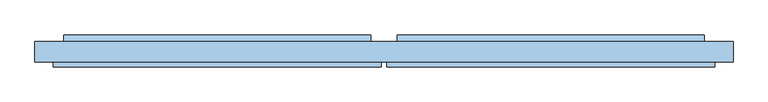
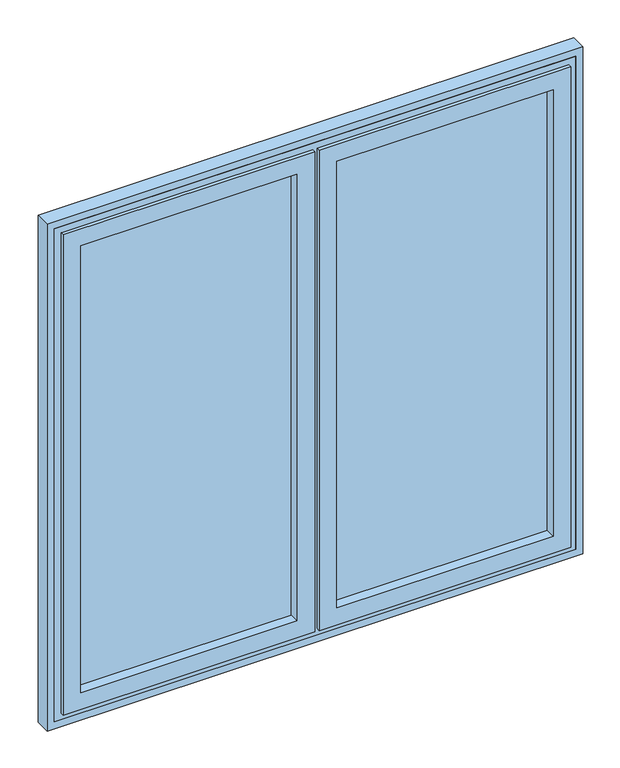
"""IFC4 building model written with IfcOpenShell, lengths in millimetres: window geometry."""

from ifc_helpers import new_model, si_unit, frame, origin, place, context, project, spatial, polyline, outline, extrude, faceted_brep, source, transform, mapped, element, save


def window_af230f69(model_context):
    return source(origin(), model_context, "Body", "SolidModel", [
        faceted_brep([(-711.0, 46.0, 939.0), (-711.0, 56.0, 939.0), (-6.0, 56.0, 939.0), (-6.0, 46.0, 939.0), (-680.0, 90.0, 970.0), (-680.0, 100.0, 970.0), (-37.0, 100.0, 970.0), (-37.0, 90.0, 970.0), (-661.0, 100.0, 989.0), (-661.0, 46.0, 989.0), (-56.0, 46.0, 989.0), (-56.0, 100.0, 989.0), (-6.0, 56.0, 2361.0), (-6.0, 46.0, 2361.0), (-37.0, 100.0, 2330.0), (-37.0, 90.0, 2330.0), (-56.0, 46.0, 2311.0), (-56.0, 100.0, 2311.0), (-711.0, 56.0, 2361.0), (-711.0, 46.0, 2361.0), (-680.0, 100.0, 2330.0), (-680.0, 90.0, 2330.0), (-661.0, 46.0, 2311.0), (-661.0, 100.0, 2311.0), (-686.0, 90.0, 964.0), (-686.0, 90.0, 2336.0), (-31.0, 90.0, 2336.0), (-31.0, 90.0, 964.0), (-686.0, 56.0, 964.0), (-31.0, 56.0, 964.0), (-31.0, 56.0, 2336.0), (-686.0, 56.0, 2336.0)], [[[0, 1, 2, 3]], [[4, 5, 6, 7]], [[8, 9, 10, 11]], [[3, 2, 12, 13]], [[7, 6, 14, 15]], [[11, 10, 16, 17]], [[13, 12, 18, 19]], [[15, 14, 20, 21]], [[17, 16, 22, 23]], [[19, 18, 1, 0]], [[5, 20, 14, 6], [11, 17, 23, 8]], [[21, 20, 5, 4]], [[24, 25, 26, 27], [7, 15, 21, 4]], [[23, 22, 9, 8]], [[3, 13, 19, 0], [9, 22, 16, 10]], [[28, 24, 27, 29]], [[29, 27, 26, 30]], [[30, 26, 25, 31]], [[1, 18, 12, 2], [29, 30, 31, 28]], [[31, 25, 24, 28]]]),
        extrude(outline(polyline([(-56.0, 74.0), (-661.0, 74.0), (-661.0, 90.0), (-56.0, 90.0), (-56.0, 74.0)])), frame((0.0, 0.0, 989.0), z_axis=(0.0, 0.0, 1.0), x_axis=(1.0, 0.0, 0.0)), (0.0, 0.0, 1.0), 1322.0),
        extrude(outline(polyline([(115.0, 970.0), (100.0, 970.0), (100.0, 982.5), (115.0, 975.0), (115.0, 970.0)])), frame((-688.0, 0.0, 0.0), z_axis=(1.0, 0.0, 0.0), x_axis=(0.0, 1.0, 0.0)), (0.0, 0.0, 1.0), 659.0),
        faceted_brep([(6.0, 46.0, 939.0), (6.0, 56.0, 939.0), (711.0, 56.0, 939.0), (711.0, 46.0, 939.0), (37.0, 90.0, 970.0), (37.0, 100.0, 970.0), (680.0, 100.0, 970.0), (680.0, 90.0, 970.0), (56.0, 100.0, 989.0), (56.0, 46.0, 989.0), (661.0, 46.0, 989.0), (661.0, 100.0, 989.0), (711.0, 56.0, 2361.0), (711.0, 46.0, 2361.0), (680.0, 100.0, 2330.0), (680.0, 90.0, 2330.0), (661.0, 46.0, 2311.0), (661.0, 100.0, 2311.0), (6.0, 56.0, 2361.0), (6.0, 46.0, 2361.0), (37.0, 100.0, 2330.0), (37.0, 90.0, 2330.0), (56.0, 46.0, 2311.0), (56.0, 100.0, 2311.0), (31.0, 90.0, 964.0), (31.0, 90.0, 2336.0), (686.0, 90.0, 2336.0), (686.0, 90.0, 964.0), (31.0, 56.0, 964.0), (686.0, 56.0, 964.0), (686.0, 56.0, 2336.0), (31.0, 56.0, 2336.0)], [[[0, 1, 2, 3]], [[4, 5, 6, 7]], [[8, 9, 10, 11]], [[3, 2, 12, 13]], [[7, 6, 14, 15]], [[11, 10, 16, 17]], [[13, 12, 18, 19]], [[15, 14, 20, 21]], [[17, 16, 22, 23]], [[19, 18, 1, 0]], [[5, 20, 14, 6], [11, 17, 23, 8]], [[21, 20, 5, 4]], [[24, 25, 26, 27], [7, 15, 21, 4]], [[23, 22, 9, 8]], [[3, 13, 19, 0], [9, 22, 16, 10]], [[28, 24, 27, 29]], [[29, 27, 26, 30]], [[30, 26, 25, 31]], [[1, 18, 12, 2], [29, 30, 31, 28]], [[31, 25, 24, 28]]]),
        extrude(outline(polyline([(661.0, 74.0), (56.0, 74.0), (56.0, 90.0), (661.0, 90.0), (661.0, 74.0)])), frame((0.0, 0.0, 989.0), z_axis=(0.0, 0.0, 1.0), x_axis=(1.0, 0.0, 0.0)), (0.0, 0.0, 1.0), 1322.0),
        extrude(outline(polyline([(115.0, 970.0), (100.0, 970.0), (100.0, 982.5), (115.0, 975.0), (115.0, 970.0)])), frame((29.0, 0.0, 0.0), z_axis=(1.0, 0.0, 0.0), x_axis=(0.0, 1.0, 0.0)), (0.0, 0.0, 1.0), 659.0),
        extrude(outline(polyline([(920.0, 730.0), (2380.0, 730.0), (2380.0, -730.0), (920.0, -730.0), (920.0, 730.0)]), holes=[polyline([(2336.0, -686.0), (2336.0, -31.0), (964.0, -31.0), (964.0, -686.0), (2336.0, -686.0)]), polyline([(2336.0, 686.0), (964.0, 686.0), (964.0, 31.0), (2336.0, 31.0), (2336.0, 686.0)])]), frame((0.0, 56.0, 0.0), z_axis=(0.0, 1.0, 0.0), x_axis=(0.0, 0.0, 1.0)), (0.0, 0.0, 1.0), 44.0),
        extrude(outline(polyline([(2400.0, 750.0), (2400.0, -750.0), (900.0, -750.0), (900.0, 750.0), (2400.0, 750.0)]), holes=[polyline([(920.0, -730.0), (2380.0, -730.0), (2380.0, 730.0), (920.0, 730.0), (920.0, -730.0)])]), frame((0.0, 56.0, 0.0), z_axis=(0.0, 1.0, 0.0), x_axis=(0.0, 0.0, 1.0)), (0.0, 0.0, 1.0), 44.0),
    ])


if __name__ == "__main__":
    model = new_model("IFC4")
    model_context = context("Model", 3, world=origin())
    ifc_project = project(units=[si_unit("LENGTHUNIT", "METRE", prefix="MILLI")], contexts=[model_context])
    site = spatial("IfcSite", under=ifc_project)
    building = spatial("IfcBuilding", under=site)
    placement = place(None, origin())
    window_shape = window_af230f69(model_context)
    element("IfcWindow", 1, at=placement, inside=building, context=model_context, shape_type="MappedRepresentation", body=[
        mapped(window_shape, transform((0.0, 0.0, 0.0), x_axis=(1.0, 0.0, 0.0), y_axis=(0.0, 1.0, 0.0), z_axis=(0.0, 0.0, 1.0))),
    ])
    save(model, "model.ifc")
